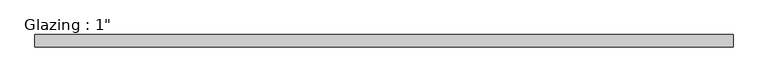
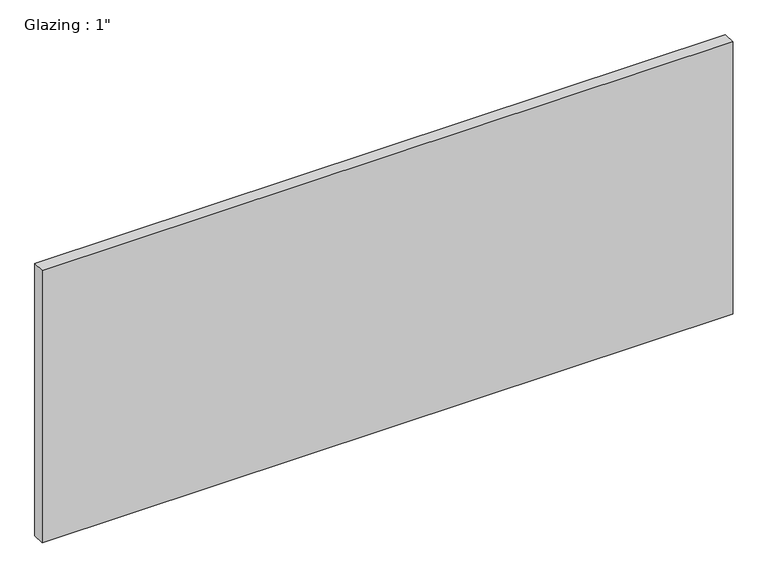
"""IFC4 building model written with IfcOpenShell, lengths in millimetres: plate geometry."""

from ifc_helpers import new_model, si_unit, origin, origin_with_axes, place, context, project, spatial, polyline, outline, extrude, source, transform, mapped, element, save


def plate_fb62d219(model_context):
    return source(origin(), model_context, "Body", "SweptSolid", [
        extrude(outline(polyline([(712.1415297, -12.7), (-712.1415297, -12.7), (-712.1415297, 12.7), (712.1415297, 12.7), (712.1415297, -12.7)])), origin_with_axes(), (0.0, 0.0, 1.0), 593.7249245),
    ])


if __name__ == "__main__":
    model = new_model("IFC4")
    model_context = context("Model", 3, world=origin())
    ifc_project = project(units=[si_unit("LENGTHUNIT", "METRE", prefix="MILLI")], contexts=[model_context])
    site = spatial("IfcSite", under=ifc_project)
    building = spatial("IfcBuilding", under=site)
    placement = place(None, origin())
    plate_shape = plate_fb62d219(model_context)
    element("IfcPlate", 1, ObjectType="Glazing : 1\"", at=placement, inside=building, context=model_context, shape_type="MappedRepresentation", body=[
        mapped(plate_shape, transform((0.0, 0.0, 0.0), x_axis=(1.0, 0.0, 0.0), y_axis=(0.0, 1.0, 0.0), z_axis=(0.0, 0.0, 1.0))),
    ])
    save(model, "model.ifc")
